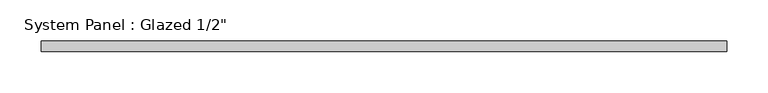
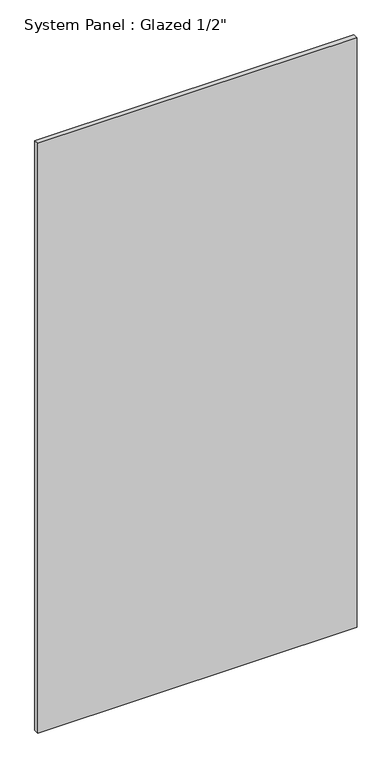
"""IFC4 building model written with IfcOpenShell, lengths in millimetres: plate geometry."""

from ifc_helpers import new_model, si_unit, origin, origin_with_axes, place, context, project, spatial, polyline, outline, extrude, source, transform, mapped, element, save


def plate_2b2115e6(model_context):
    return source(origin(), model_context, "Body", "SweptSolid", [
        extrude(outline(polyline([(414.8666667, -6.35), (-414.8666667, -6.35), (-414.8666667, 6.35), (414.8666667, 6.35), (414.8666667, -6.35)])), origin_with_axes(), (0.0, 0.0, 1.0), 1619.25),
    ])


if __name__ == "__main__":
    model = new_model("IFC4")
    model_context = context("Model", 3, world=origin())
    ifc_project = project(units=[si_unit("LENGTHUNIT", "METRE", prefix="MILLI")], contexts=[model_context])
    site = spatial("IfcSite", under=ifc_project)
    building = spatial("IfcBuilding", under=site)
    placement = place(None, origin())
    plate_shape = plate_2b2115e6(model_context)
    element("IfcPlate", 1, ObjectType="System Panel : Glazed 1/2\"", at=placement, inside=building, context=model_context, shape_type="MappedRepresentation", body=[
        mapped(plate_shape, transform((0.0, 0.0, 0.0), x_axis=(1.0, 0.0, 0.0), y_axis=(0.0, 1.0, 0.0), z_axis=(0.0, 0.0, 1.0))),
    ])
    save(model, "model.ifc")
